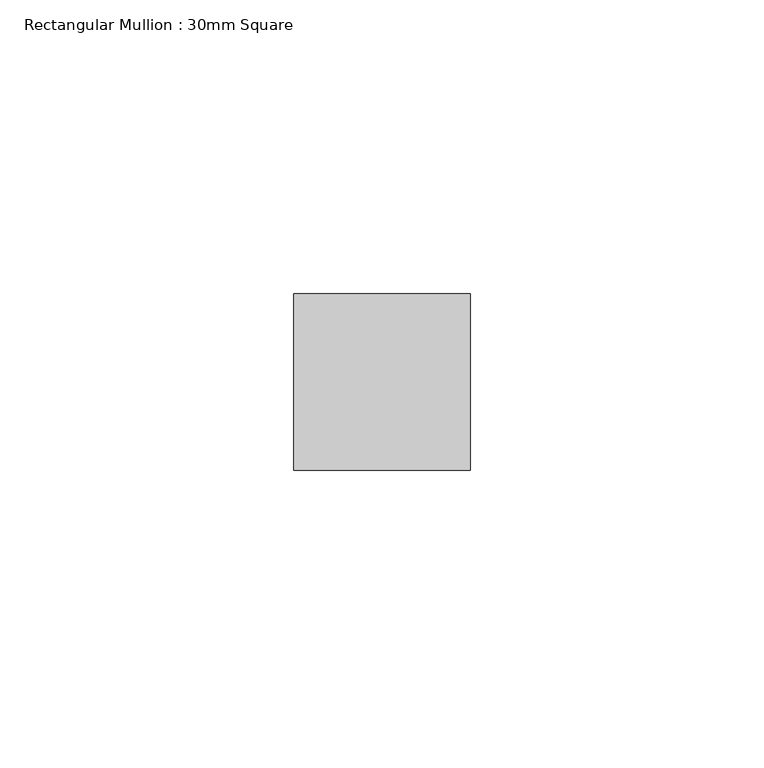
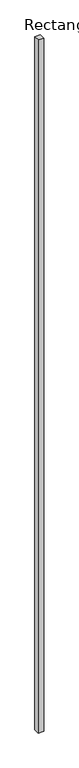
"""IFC4 building model written with IfcOpenShell, lengths in millimetres: member geometry, Rectangular Mullion : 30mm Square."""

from ifc_helpers import new_model, si_unit, frame, origin, place, context, project, spatial, polyline, outline, extrude, source, transform, mapped, element, save


def rectangular_mullion_30mm_square_3aaa00f3(model_context):
    return source(origin(), model_context, "Body", "SweptSolid", [
        extrude(outline(polyline([(0.0, 15.0), (0.0, -15.0), (-30.0, -15.0), (-30.0, 15.0), (0.0, 15.0)])), frame((0.0, 0.0, -3985.0), z_axis=(0.0, 0.0, 1.0), x_axis=(1.0, 0.0, 0.0)), (0.0, 0.0, 1.0), 3985.0),
    ])


if __name__ == "__main__":
    model = new_model("IFC4")
    model_context = context("Model", 3, world=origin())
    ifc_project = project(units=[si_unit("LENGTHUNIT", "METRE", prefix="MILLI")], contexts=[model_context])
    site = spatial("IfcSite", under=ifc_project)
    building = spatial("IfcBuilding", under=site)
    placement = place(None, origin())
    rectangular_mullion_30mm_square_shape = rectangular_mullion_30mm_square_3aaa00f3(model_context)
    element("IfcMember", 1, ObjectType="Rectangular Mullion : 30mm Square", at=placement, inside=building, context=model_context, shape_type="MappedRepresentation", body=[
        mapped(rectangular_mullion_30mm_square_shape, transform((0.0, 0.0, 0.0), x_axis=(1.0, 0.0, 0.0), y_axis=(0.0, 1.0, 0.0), z_axis=(0.0, 0.0, 1.0))),
    ])
    save(model, "model.ifc")
